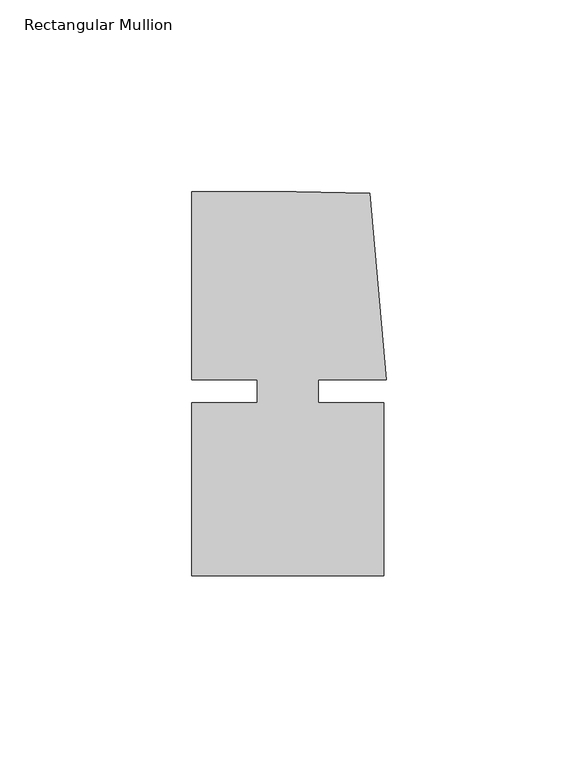
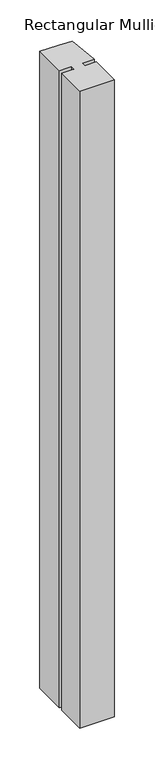
"""IFC4 building model written with IfcOpenShell, lengths in millimetres: member geometry, Rectangular Mullion."""

from ifc_helpers import new_model, si_unit, frame, origin, place, context, project, spatial, polyline, outline, extrude, source, transform, mapped, element, save


def rectangular_mullion_a33df2dd(model_context):
    return source(origin(), model_context, "Body", "SweptSolid", [
        extrude(outline(polyline([(8.0004917, -3.0000287), (25.00003, -3.0000271), (25.0000344, -48.0000271), (-24.9999656, -48.000032), (-24.99997, -3.000032), (-8.0004317, -3.0000303), (-8.0004323, 2.999987), (-24.9999706, 2.9999853), (-24.9999754, 51.999968), (2.2554581, 51.9999707), (21.3623265, 51.5846059), (25.6129344, 2.9999903), (8.0004911, 2.9999885), (8.0004917, -3.0000287)])), frame((0.0, 0.0, -974.9999791), z_axis=(0.0, 0.0, 1.0), x_axis=(1.0, 0.0, 0.0)), (0.0, 0.0, 1.0), 974.9999791),
    ])


if __name__ == "__main__":
    model = new_model("IFC4")
    model_context = context("Model", 3, world=origin())
    ifc_project = project(units=[si_unit("LENGTHUNIT", "METRE", prefix="MILLI")], contexts=[model_context])
    site = spatial("IfcSite", under=ifc_project)
    building = spatial("IfcBuilding", under=site)
    placement = place(None, origin())
    rectangular_mullion_shape = rectangular_mullion_a33df2dd(model_context)
    element("IfcMember", 1, ObjectType="Rectangular Mullion", at=placement, inside=building, context=model_context, shape_type="MappedRepresentation", body=[
        mapped(rectangular_mullion_shape, transform((0.0, 0.0, 0.0), x_axis=(1.0, 0.0, 0.0), y_axis=(0.0, 1.0, 0.0), z_axis=(0.0, 0.0, 1.0))),
    ])
    save(model, "model.ifc")
